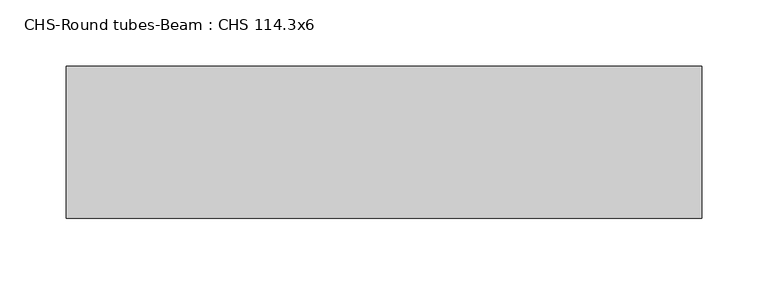
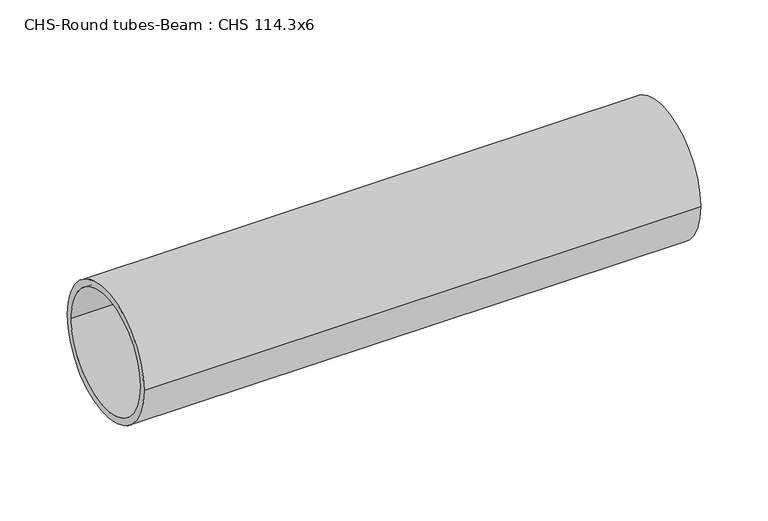
"""IFC4 building model written with IfcOpenShell, lengths in millimetres: beam geometry, CHS-Round tubes-Beam : CHS 114.3x6."""

from ifc_helpers import new_model, si_unit, point, frame, origin, origin_2d, place, context, project, spatial, circle_curve, trimmed, segment, composite_curve, outline, extrude, source, transform, mapped, element, save


def chs_round_tubes_beam_chs_114_3x6_dda4f5c9(model_context):
    return source(origin(), model_context, "Body", "SweptSolid", [
        extrude(outline(composite_curve([segment(trimmed(circle_curve(origin_2d(), 57.15), [point((57.15, 0.0))], [point((-57.15, 0.0))], False, "CARTESIAN"), True, "CONTINUOUS"), segment(trimmed(circle_curve(origin_2d(), 57.15), [point((-57.15, 0.0))], [point((57.15, 0.0))], False, "CARTESIAN"), True, "CONTINUOUS")], self_intersect=False), holes=[composite_curve([segment(trimmed(circle_curve(origin_2d(), 51.15), [point((51.15, 0.0))], [point((-51.15, 0.0))], True, "CARTESIAN"), True, "CONTINUOUS"), segment(trimmed(circle_curve(origin_2d(), 51.15), [point((-51.15, 0.0))], [point((51.15, 0.0))], True, "CARTESIAN"), True, "CONTINUOUS")], self_intersect=False)]), frame((-214.7912009, 0.0, 0.0), z_axis=(1.0, 0.0, 0.0), x_axis=(0.0, 1.0, 0.0)), (0.0, 0.0, 1.0), 477.6318406),
    ])


if __name__ == "__main__":
    model = new_model("IFC4")
    model_context = context("Model", 3, world=origin())
    ifc_project = project(units=[si_unit("LENGTHUNIT", "METRE", prefix="MILLI")], contexts=[model_context])
    site = spatial("IfcSite", under=ifc_project)
    building = spatial("IfcBuilding", under=site)
    placement = place(None, origin())
    chs_round_tubes_beam_chs_114_3x6_shape = chs_round_tubes_beam_chs_114_3x6_dda4f5c9(model_context)
    element("IfcBeam", 1, ObjectType="CHS-Round tubes-Beam : CHS 114.3x6", at=placement, inside=building, context=model_context, shape_type="MappedRepresentation", body=[
        mapped(chs_round_tubes_beam_chs_114_3x6_shape, transform((0.0, 0.0, 0.0), x_axis=(1.0, 0.0, 0.0), y_axis=(0.0, 1.0, 0.0), z_axis=(0.0, 0.0, 1.0))),
    ])
    save(model, "model.ifc")
